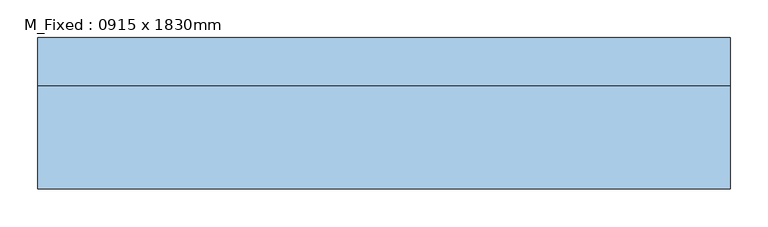
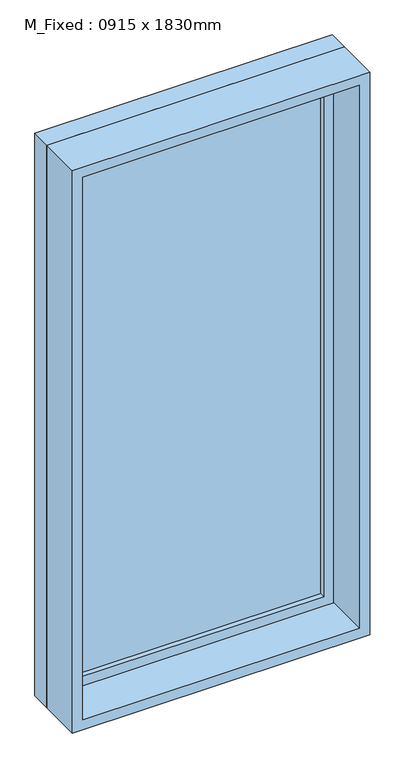
"""IFC4 building model written with IfcOpenShell, lengths in millimetres: window geometry, M_Fixed : 0915 x 1830mm."""

import ifcopenshell
import ifcopenshell.guid

model = None  # the IFC model being written
_history = None  # IfcOwnerHistory: only IFC2X3 demands one
_inside = {}  # id of a spatial element -> (the spatial element, [elements in it])
_under = {}  # id of a project, library or spatial element -> (it, [spatial elements below it])
_declared = {}  # id of a project -> (the project, [libraries it declares])
_typed = {}  # id of a type object -> (the type object, [elements of that type])
_made_of = {}  # id of a material, layer set ... -> (it, [elements and type objects made of it])


def new_model(schema):
    """Start an empty IFC model of exactly this schema.

    Asked for "IFC4X3", IfcOpenShell would pick the latest addendum, in which some entities
    have other attributes; the version numbers below select the first issue.
    IFC2X3 requires an IfcOwnerHistory on every rooted entity: one is made here for all.
    """
    global model, _history
    if schema == "IFC4X3":
        model = ifcopenshell.file(schema_version=(4, 3, 0, 0))
    else:
        model = ifcopenshell.file(schema=schema)
    _inside.clear()
    _under.clear()
    _declared.clear()
    _typed.clear()
    _made_of.clear()
    _history = None
    if model.schema == "IFC2X3":
        org = make("IfcOrganization", Name="unknown")
        user = make(
            "IfcPersonAndOrganization",
            ThePerson=make("IfcPerson", FamilyName="unknown"),
            TheOrganization=org,
        )
        app = make(
            "IfcApplication",
            ApplicationDeveloper=org,
            Version="unknown",
            ApplicationFullName="unknown",
            ApplicationIdentifier="unknown",
        )
        _history = make(
            "IfcOwnerHistory",
            OwningUser=user,
            OwningApplication=app,
            ChangeAction="ADDED",
            CreationDate=0,
        )
    return model


def make(cls, **values):
    """One entity of the class cls with the attributes given. An attribute that is None is left unset."""
    return model.create_entity(
        cls, **{name: value for name, value in values.items() if value is not None}
    )


def rooted(cls, **values):
    """An entity with a GlobalId (a new one), such as an element, a storey or a relation."""
    return make(cls, GlobalId=ifcopenshell.guid.new(), OwnerHistory=_history, **values)


def si_unit(unit_type, name, prefix=None):
    """IfcSIUnit, for example si_unit("LENGTHUNIT", "METRE", prefix="MILLI")."""
    return make("IfcSIUnit", UnitType=unit_type, Prefix=prefix, Name=name)


def assignment(units):
    """IfcUnitAssignment: the units of a project."""
    return None if units is None else make("IfcUnitAssignment", Units=units)


def point(xyz):
    """IfcCartesianPoint."""
    return None if xyz is None else make("IfcCartesianPoint", Coordinates=xyz)


def direction(xyz):
    """IfcDirection."""
    return None if xyz is None else make("IfcDirection", DirectionRatios=xyz)


def frame(location, z_axis=None, x_axis=None):
    """IfcAxis2Placement3D, a coordinate frame: its origin and axes. An axis left out is left unset."""
    return make(
        "IfcAxis2Placement3D",
        Location=point(location),
        Axis=direction(z_axis),
        RefDirection=direction(x_axis),
    )


def origin():
    """The frame at (0, 0, 0) with its axes left unset."""
    return frame((0.0, 0.0, 0.0))


def place(relative_to, where):
    """IfcLocalPlacement: puts the frame where relative to a parent placement (None: the world)."""
    return make(
        "IfcLocalPlacement", PlacementRelTo=relative_to, RelativePlacement=where
    )


def context(
    kind, dimensions, precision=None, world=None, true_north=None, identifier=None
):
    """IfcGeometricRepresentationContext, for example the 3D "Model" context."""
    return make(
        "IfcGeometricRepresentationContext",
        ContextIdentifier=identifier,
        ContextType=kind,
        CoordinateSpaceDimension=dimensions,
        Precision=precision,
        WorldCoordinateSystem=world,
        TrueNorth=true_north,
    )


def project(units=None, contexts=None):
    """IfcProject with its units and contexts."""
    return rooted(
        "IfcProject",
        Name="project",
        RepresentationContexts=contexts,
        UnitsInContext=assignment(units),
    )


def spatial(cls, under=None, at=None, **own):
    """A site, building, storey or space (cls), placed at a placement, below another one or the project."""
    s = rooted(cls, ObjectPlacement=at, **own)
    if under is not None:
        _under.setdefault(under.id(), (under, []))[1].append(s)
    return s


def polyline(points):
    """IfcPolyline through the points."""
    return make("IfcPolyline", Points=[point(p) for p in points])


def outline(outer, holes=None, kind="AREA"):
    """IfcArbitraryClosedProfileDef: a profile drawn as a closed curve; with holes, ...WithVoids."""
    if holes is None:
        return make("IfcArbitraryClosedProfileDef", ProfileType=kind, OuterCurve=outer)
    return make(
        "IfcArbitraryProfileDefWithVoids",
        ProfileType=kind,
        OuterCurve=outer,
        InnerCurves=holes,
    )


def extrude(swept, where, along, depth):
    """IfcExtrudedAreaSolid: the profile swept, set in the frame where, extruded along a direction by depth."""
    return make(
        "IfcExtrudedAreaSolid",
        SweptArea=swept,
        Position=where,
        ExtrudedDirection=direction(along),
        Depth=depth,
    )


def shape(context_of_items, identifier, shape_type, items):
    """IfcShapeRepresentation: the items that make up one representation, for example the "Body"."""
    return make(
        "IfcShapeRepresentation",
        ContextOfItems=context_of_items,
        RepresentationIdentifier=identifier,
        RepresentationType=shape_type,
        Items=items,
    )


def source(mapping_origin, context_of_items, identifier, shape_type, items):
    """IfcRepresentationMap: a shape defined once, which mapped items show again and again."""
    return make(
        "IfcRepresentationMap",
        MappingOrigin=mapping_origin,
        MappedRepresentation=shape(context_of_items, identifier, shape_type, items),
    )


def transform(
    local_origin,
    x_axis=None,
    y_axis=None,
    z_axis=None,
    scale=None,
    scale2=None,
    scale3=None,
    uniform=True,
):
    """IfcCartesianTransformationOperator3D, or its non-uniform kind. x_axis, y_axis, z_axis: its Axis1, 2, 3."""
    if uniform:
        return make(
            "IfcCartesianTransformationOperator3D",
            Axis1=direction(x_axis),
            Axis2=direction(y_axis),
            LocalOrigin=point(local_origin),
            Scale=scale,
            Axis3=direction(z_axis),
        )
    return make(
        "IfcCartesianTransformationOperator3DnonUniform",
        Axis1=direction(x_axis),
        Axis2=direction(y_axis),
        LocalOrigin=point(local_origin),
        Scale=scale,
        Axis3=direction(z_axis),
        Scale2=scale2,
        Scale3=scale3,
    )


def mapped(mapping_source, mapping_target):
    """IfcMappedItem: shows the shape of a source again, moved by a transform."""
    return make(
        "IfcMappedItem", MappingSource=mapping_source, MappingTarget=mapping_target
    )


def made_of(thing, what):
    """Note that an element or type object is made of a material, layer set ...; save() writes the relation."""
    if what is not None:
        _made_of.setdefault(what.id(), (what, []))[1].append(thing)
    return thing


def element(
    cls,
    number,
    at=None,
    inside=None,
    cuts=None,
    type_object=None,
    material=None,
    context=None,
    identifier="Body",
    shape_type=None,
    held_by="IfcProductDefinitionShape",
    body=None,
    shapes=None,
    **own,
):
    """One element of the class cls, such as IfcWall. Its Tag is "e" and its number.

    at: its placement. inside: the storey or other place that contains it. cuts: it is an
    opening in that element (IfcRelVoidsElement). A single representation is given by context,
    identifier, shape_type and body (its items); several are given by shapes. held_by: the class
    of the entity that holds the representations. save() writes the other relations.
    """
    e = rooted(cls, Tag="e%d" % number, ObjectPlacement=at, **own)
    if body is not None:
        shapes = [shape(context, identifier, shape_type, body)]
    if shapes is not None:
        e.Representation = make(held_by, Representations=shapes)
    if inside is not None:
        _inside.setdefault(inside.id(), (inside, []))[1].append(e)
    if cuts is not None:
        rooted(
            "IfcRelVoidsElement", RelatingBuildingElement=cuts, RelatedOpeningElement=e
        )
    if type_object is not None:
        _typed.setdefault(type_object.id(), (type_object, []))[1].append(e)
    return made_of(e, material)


def aggregate(whole, parts):
    """IfcRelAggregates: a whole, such as a stair, and the parts it consists of."""
    return rooted("IfcRelAggregates", RelatingObject=whole, RelatedObjects=parts)


def save(model, path):
    """Write the relations noted so far, then the file.

    IfcRelAggregates (storeys below a building ...), IfcRelContainedInSpatialStructure (elements
    in a storey), IfcRelDefinesByType, IfcRelAssociatesMaterial and IfcRelDeclares: one each for
    every whole, place, type object, material and project.
    """
    for whole, parts in _under.values():
        aggregate(whole, parts)
    for where, things in _inside.values():
        rooted(
            "IfcRelContainedInSpatialStructure",
            RelatedElements=things,
            RelatingStructure=where,
        )
    for kind, things in _typed.values():
        rooted("IfcRelDefinesByType", RelatedObjects=things, RelatingType=kind)
    for what, things in _made_of.values():
        rooted("IfcRelAssociatesMaterial", RelatedObjects=things, RelatingMaterial=what)
    for by, libraries in _declared.values():
        rooted("IfcRelDeclares", RelatingContext=by, RelatedDefinitions=libraries)
    model.write(path)


def m_fixed_0915_x_1830mm_5d6e8bc1(model_context):
    return source(origin(), model_context, "Body", "SweptSolid", [
        extrude(outline(polyline([(-394.5, 78.0), (394.5, 78.0), (394.5, 66.0), (-394.5, 66.0), (-394.5, 78.0)])), frame((0.0, 0.0, 368.0), z_axis=(0.0, 0.0, 1.0), x_axis=(1.0, 0.0, 0.0)), (0.0, 0.0, 1.0), 1704.0),
        extrude(outline(polyline([(2116.0, -438.5), (324.0, -438.5), (324.0, 438.5), (2116.0, 438.5), (2116.0, -438.5)]), holes=[polyline([(2072.0, -394.5), (2072.0, 394.5), (368.0, 394.5), (368.0, -394.5), (2072.0, -394.5)])]), frame((0.0, 50.0, 0.0), z_axis=(0.0, 1.0, 0.0), x_axis=(0.0, 0.0, 1.0)), (0.0, 0.0, 1.0), 44.0),
        extrude(outline(polyline([(2135.0, -457.5), (305.0, -457.5), (305.0, 457.5), (2135.0, 457.5), (2135.0, -457.5)]), holes=[polyline([(2116.0, -438.5), (2116.0, 438.5), (324.0, 438.5), (324.0, -438.5), (2116.0, -438.5)])]), frame((0.0, 50.0, 0.0), z_axis=(0.0, 1.0, 0.0), x_axis=(0.0, 0.0, 1.0)), (0.0, 0.0, 1.0), 63.0),
        extrude(outline(polyline([(2135.0, -457.5), (305.0, -457.5), (305.0, 457.5), (2135.0, 457.5), (2135.0, -457.5)]), holes=[polyline([(2103.0, -425.5), (2103.0, 425.5), (337.0, 425.5), (337.0, -425.5), (2103.0, -425.5)])]), frame((0.0, -87.0, 0.0), z_axis=(0.0, 1.0, 0.0), x_axis=(0.0, 0.0, 1.0)), (0.0, 0.0, 1.0), 137.0),
    ])


if __name__ == "__main__":
    model = new_model("IFC4")
    model_context = context("Model", 3, world=origin())
    ifc_project = project(units=[si_unit("LENGTHUNIT", "METRE", prefix="MILLI")], contexts=[model_context])
    site = spatial("IfcSite", under=ifc_project)
    building = spatial("IfcBuilding", under=site)
    placement = place(None, origin())
    m_fixed_0915_x_1830mm_shape = m_fixed_0915_x_1830mm_5d6e8bc1(model_context)
    element("IfcWindow", 1, ObjectType="M_Fixed : 0915 x 1830mm", at=placement, inside=building, context=model_context, shape_type="MappedRepresentation", body=[
        mapped(m_fixed_0915_x_1830mm_shape, transform((0.0, 0.0, 0.0), x_axis=(1.0, 0.0, 0.0), y_axis=(0.0, 1.0, 0.0), z_axis=(0.0, 0.0, 1.0))),
    ])
    save(model, "model.ifc")
